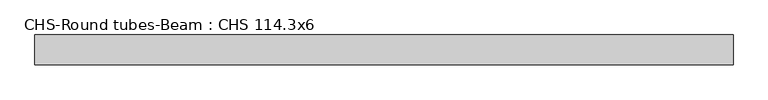
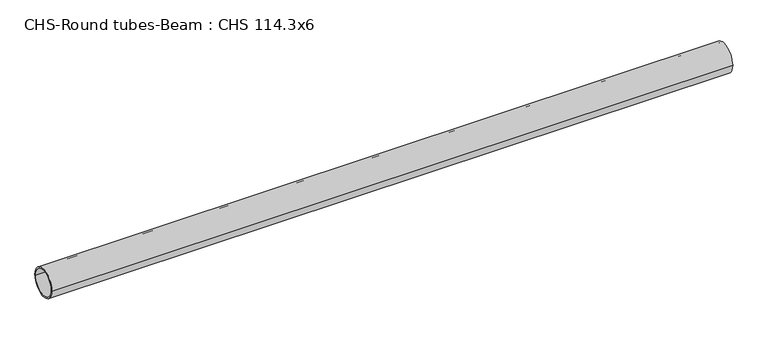
"""IFC4 building model written with IfcOpenShell, lengths in millimetres: beam geometry, CHS-Round tubes-Beam : CHS 114.3x6."""

from ifc_helpers import new_model, si_unit, point, frame, origin, origin_2d, place, context, project, spatial, circle_curve, trimmed, segment, composite_curve, outline, extrude, source, transform, mapped, element, save


def chs_round_tubes_beam_chs_114_3x6_6ebc61cf(model_context):
    return source(origin(), model_context, "Body", "SweptSolid", [
        extrude(outline(composite_curve([segment(trimmed(circle_curve(origin_2d(), 57.15), [point((57.15, 0.0))], [point((-57.15, 0.0))], False, "CARTESIAN"), True, "CONTINUOUS"), segment(trimmed(circle_curve(origin_2d(), 57.15), [point((-57.15, 0.0))], [point((57.15, 0.0))], False, "CARTESIAN"), True, "CONTINUOUS")], self_intersect=False), holes=[composite_curve([segment(trimmed(circle_curve(origin_2d(), 51.15), [point((51.15, 0.0))], [point((-51.15, 0.0))], True, "CARTESIAN"), True, "CONTINUOUS"), segment(trimmed(circle_curve(origin_2d(), 51.15), [point((-51.15, 0.0))], [point((51.15, 0.0))], True, "CARTESIAN"), True, "CONTINUOUS")], self_intersect=False)]), frame((-1295.2087792, 0.0, 0.0), z_axis=(1.0, 0.0, 0.0), x_axis=(0.0, 1.0, 0.0)), (0.0, 0.0, 1.0), 2669.1806317),
    ])


if __name__ == "__main__":
    model = new_model("IFC4")
    model_context = context("Model", 3, world=origin())
    ifc_project = project(units=[si_unit("LENGTHUNIT", "METRE", prefix="MILLI")], contexts=[model_context])
    site = spatial("IfcSite", under=ifc_project)
    building = spatial("IfcBuilding", under=site)
    placement = place(None, origin())
    chs_round_tubes_beam_chs_114_3x6_shape = chs_round_tubes_beam_chs_114_3x6_6ebc61cf(model_context)
    element("IfcBeam", 1, ObjectType="CHS-Round tubes-Beam : CHS 114.3x6", at=placement, inside=building, context=model_context, shape_type="MappedRepresentation", body=[
        mapped(chs_round_tubes_beam_chs_114_3x6_shape, transform((0.0, 0.0, 0.0), x_axis=(1.0, 0.0, 0.0), y_axis=(0.0, 1.0, 0.0), z_axis=(0.0, 0.0, 1.0))),
    ])
    save(model, "model.ifc")
